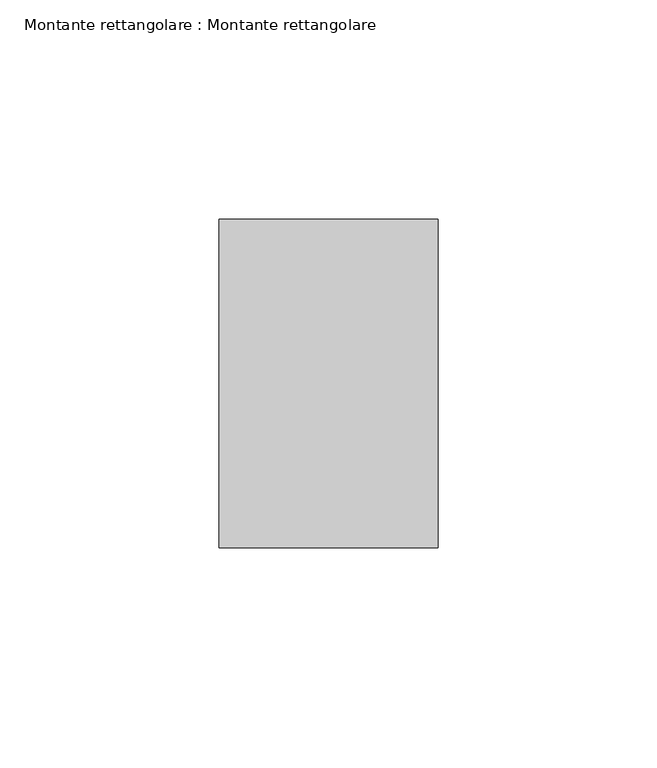
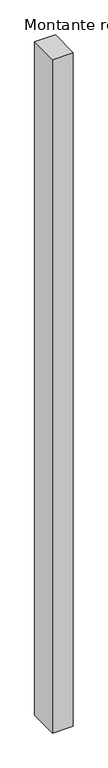
"""IFC4 building model written with IfcOpenShell, lengths in millimetres: member geometry, Montante rettangolare : Montante rettangolare."""

from ifc_helpers import new_model, si_unit, frame, origin, place, context, project, spatial, polyline, outline, extrude, source, transform, mapped, element, save


def montante_rettangolare_montante_rettangolare_d5bcef97(model_context):
    return source(origin(), model_context, "Body", "SweptSolid", [
        extrude(outline(polyline([(25.0, 37.5), (25.0, -37.5), (-25.0, -37.5), (-25.0, 37.5), (25.0, 37.5)])), frame((0.0, 0.0, -1725.0), z_axis=(0.0, 0.0, 1.0), x_axis=(1.0, 0.0, 0.0)), (0.0, 0.0, 1.0), 1725.0),
    ])


if __name__ == "__main__":
    model = new_model("IFC4")
    model_context = context("Model", 3, world=origin())
    ifc_project = project(units=[si_unit("LENGTHUNIT", "METRE", prefix="MILLI")], contexts=[model_context])
    site = spatial("IfcSite", under=ifc_project)
    building = spatial("IfcBuilding", under=site)
    placement = place(None, origin())
    montante_rettangolare_montante_rettangolare_shape = montante_rettangolare_montante_rettangolare_d5bcef97(model_context)
    element("IfcMember", 1, ObjectType="Montante rettangolare : Montante rettangolare", at=placement, inside=building, context=model_context, shape_type="MappedRepresentation", body=[
        mapped(montante_rettangolare_montante_rettangolare_shape, transform((0.0, 0.0, 0.0), x_axis=(1.0, 0.0, 0.0), y_axis=(0.0, 1.0, 0.0), z_axis=(0.0, 0.0, 1.0))),
    ])
    save(model, "model.ifc")
